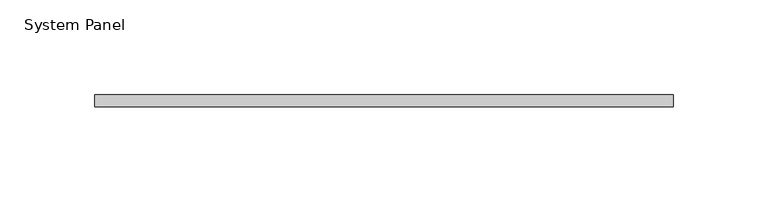
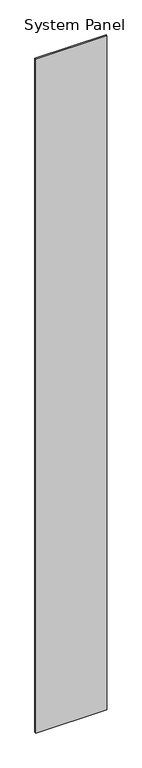
"""IFC4 building model written with IfcOpenShell, lengths in millimetres: plate geometry, System Panel."""

from ifc_helpers import new_model, si_unit, origin, origin_with_axes, place, context, project, spatial, polyline, outline, extrude, source, transform, mapped, element, save


def system_panel_41a9b295(model_context):
    return source(origin(), model_context, "Body", "SweptSolid", [
        extrude(outline(polyline([(152.3965083, -6.35), (-152.3965083, -6.35), (-152.3965083, 0.0), (152.3965083, 0.0), (152.3965083, -6.35)])), origin_with_axes(), (0.0, 0.0, 1.0), 3048.0),
    ])


if __name__ == "__main__":
    model = new_model("IFC4")
    model_context = context("Model", 3, world=origin())
    ifc_project = project(units=[si_unit("LENGTHUNIT", "METRE", prefix="MILLI")], contexts=[model_context])
    site = spatial("IfcSite", under=ifc_project)
    building = spatial("IfcBuilding", under=site)
    placement = place(None, origin())
    system_panel_shape = system_panel_41a9b295(model_context)
    element("IfcPlate", 1, ObjectType="System Panel", at=placement, inside=building, context=model_context, shape_type="MappedRepresentation", body=[
        mapped(system_panel_shape, transform((0.0, 0.0, 0.0), x_axis=(1.0, 0.0, 0.0), y_axis=(0.0, 1.0, 0.0), z_axis=(0.0, 0.0, 1.0))),
    ])
    save(model, "model.ifc")
